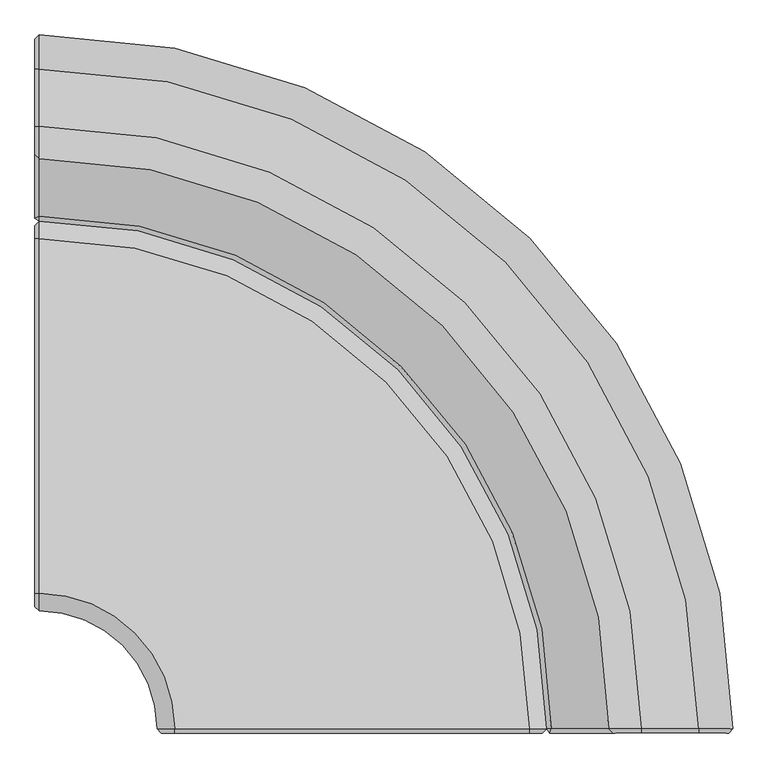
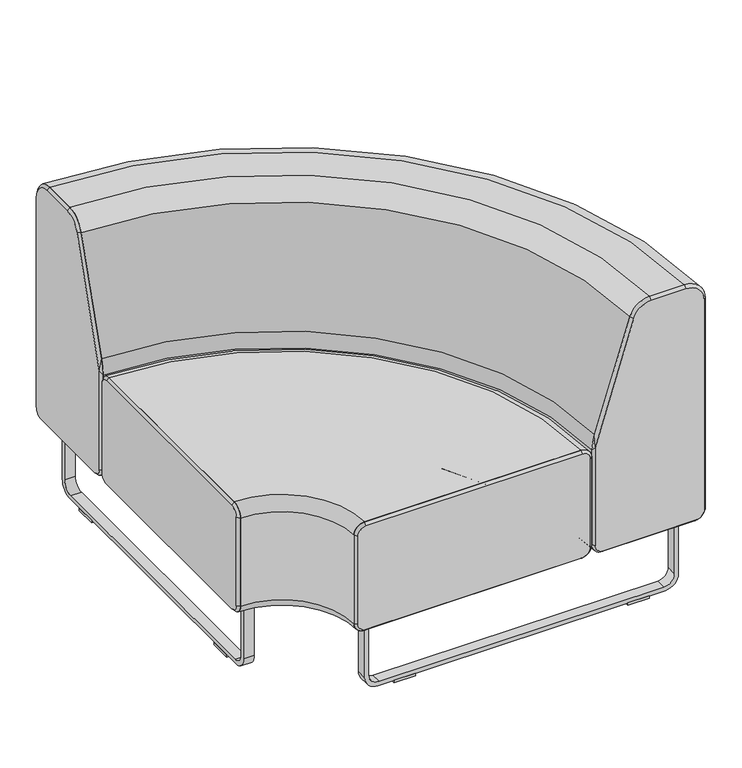
"""IFC4 building model written with IfcOpenShell, lengths in millimetres: furniture geometry."""

from ifc_helpers import new_model, si_unit, point, frame, frame_2d, origin, origin_with_axes, place, context, project, spatial, polyline, circle_curve, ellipse_curve, trimmed, segment, composite_curve, outline, extrude, source, transform, mapped, element, save
from ifc_brep_helpers import plane_surface, cylinder_surface, revolved_surface, spline_surface, advanced_brep


def furniture_7d16c2fd(model_context):
    return source(origin(), model_context, "Body", "SolidModel", [
        advanced_brep(
        [(-514.9320562, -692.0193165, 209.55), (-514.9320562, -692.0193165, 431.8), (-514.9320562, -666.6193165, 457.2), (-514.9320562, -150.2353139, 457.2), (-514.9320562, -124.8353139, 431.8), (-514.9320562, -124.8353139, 209.55), (-514.9320562, -150.2353139, 184.15), (-514.9320562, -666.6193165, 184.15), (-343.4820562, -863.4693165, 209.55), (-318.0820562, -863.4693165, 184.15), (198.3019463, -863.4693165, 184.15), (223.7019463, -863.4693165, 209.55), (223.7019463, -863.4693165, 431.8), (198.3019463, -863.4693165, 457.2), (-318.0820562, -863.4693165, 457.2), (-343.4820562, -863.4693165, 431.8)],
        [
            (0, 1),
            (1, 2, circle_curve(frame((-514.9320562, -666.6193165, 431.8), z_axis=(-1.0, 0.0, 0.0), x_axis=(0.0, -1.0, 0.0)), 25.4)),
            (2, 3),
            (3, 4, circle_curve(frame((-514.9320562, -150.2353139, 431.8), z_axis=(-1.0, 0.0, 0.0), x_axis=(0.0, -1.0, 0.0)), 25.4)),
            (4, 5),
            (5, 6, circle_curve(frame((-514.9320562, -150.2353139, 209.55), z_axis=(-1.0, 0.0, 0.0), x_axis=(0.0, -1.0, 0.0)), 25.4)),
            (6, 7),
            (7, 0, circle_curve(frame((-514.9320562, -666.6193165, 209.55), z_axis=(-1.0, 0.0, 0.0), x_axis=(0.0, -1.0, 0.0)), 25.4)),
            (8, 9, circle_curve(frame((-318.0820562, -863.4693165, 209.55), z_axis=(0.0, -1.0, 0.0), x_axis=(-1.0, 0.0, 0.0)), 25.4)),
            (9, 10),
            (10, 11, circle_curve(frame((198.3019463, -863.4693165, 209.55), z_axis=(0.0, -1.0, 0.0), x_axis=(-1.0, 0.0, 0.0)), 25.4)),
            (11, 12),
            (12, 13, circle_curve(frame((198.3019463, -863.4693165, 431.8), z_axis=(0.0, -1.0, 0.0), x_axis=(-1.0, 0.0, 0.0)), 25.4)),
            (13, 14),
            (14, 15, circle_curve(frame((-318.0820562, -863.4693165, 431.8), z_axis=(0.0, -1.0, 0.0), x_axis=(-1.0, 0.0, 0.0)), 25.4)),
            (15, 8),
            (15, 1, circle_curve(frame((-514.9320562, -863.4693165, 431.8), z_axis=(0.0, 0.0, 1.0), x_axis=(0.0, 1.0, 0.0)), 171.45)),
            (0, 8, circle_curve(frame((-514.9320562, -863.4693165, 209.55), z_axis=(0.0, 0.0, -1.0), x_axis=(0.0, 1.0, 0.0)), 171.45)),
            (14, 2, circle_curve(frame((-514.9320562, -863.4693165, 457.2), z_axis=(0.0, 0.0, 1.0), x_axis=(0.0, 1.0, 0.0)), 196.85)),
            (13, 3, circle_curve(frame((-514.9320562, -863.4693165, 457.2), z_axis=(0.0, 0.0, 1.0), x_axis=(0.0, 1.0, 0.0)), 713.2340025)),
            (12, 4, circle_curve(frame((-514.9320562, -863.4693165, 431.8), z_axis=(0.0, 0.0, 1.0), x_axis=(0.0, 1.0, 0.0)), 738.6340025)),
            (11, 5, circle_curve(frame((-514.9320562, -863.4693165, 209.55), z_axis=(0.0, 0.0, 1.0), x_axis=(0.0, 1.0, 0.0)), 738.6340025)),
            (10, 6, circle_curve(frame((-514.9320562, -863.4693165, 184.15), z_axis=(0.0, 0.0, 1.0), x_axis=(0.0, 1.0, 0.0)), 713.2340025)),
            (9, 7, circle_curve(frame((-514.9320562, -863.4693165, 184.15), z_axis=(0.0, 0.0, 1.0), x_axis=(0.0, 1.0, 0.0)), 196.85)),
        ],
        [
            plane_surface(frame((-514.9320562, -863.4693165, 574.4626339), z_axis=(-1.0, 0.0, 0.0), x_axis=(0.0, 1.0, 0.0))),
            plane_surface(frame((-514.9320562, -863.4693165, 574.4626339), z_axis=(0.0, -1.0, 0.0), x_axis=(1.0, 0.0, 0.0))),
            revolved_surface(polyline([(-514.9320562, -692.0193165000001, 209.55), (-514.9320562, -692.0193165000001, 431.8)]), (-514.9320562, -863.4693165, 574.4626339), (0.0, 0.0, -1.0)),
            revolved_surface(trimmed(ellipse_curve(frame((-514.9320562, -666.6193165, 431.8), z_axis=(-1.0, 0.0, 0.0), x_axis=(0.0, -1.0, 0.0)), 25.4, 25.4), [point((-514.9320562, -692.0193165, 431.8))], [point((-514.9320562, -666.6193165, 457.2))], True, "CARTESIAN"), (-514.9320562, -863.4693165, 574.4626339), (0.0, 0.0, -1.0)),
            plane_surface(frame((-514.9320562, -863.4693165, 457.2), z_axis=(0.0, 0.0, 1.0), x_axis=(0.0, 1.0, 0.0))),
            revolved_surface(trimmed(ellipse_curve(frame((-514.9320562, -150.2353139, 431.8), z_axis=(-1.0, 0.0, 0.0), x_axis=(0.0, -1.0, 0.0)), 25.4, 25.4), [point((-514.9320562, -150.2353139, 457.2))], [point((-514.9320562, -124.8353139, 431.8))], True, "CARTESIAN"), (-514.9320562, -863.4693165, 574.4626339), (0.0, 0.0, -1.0)),
            cylinder_surface(frame((-514.9320562, -863.4693165, 574.4626339), z_axis=(0.0, 0.0, -1.0), x_axis=(0.0, 1.0, 0.0)), 738.6340025),
            revolved_surface(trimmed(ellipse_curve(frame((-514.9320562, -150.2353139, 209.55), z_axis=(-1.0, 0.0, 0.0), x_axis=(0.0, -1.0, 0.0)), 25.4, 25.4), [point((-514.9320562, -124.8353139, 209.55))], [point((-514.9320562, -150.2353139, 184.15))], True, "CARTESIAN"), (-514.9320562, -863.4693165, 574.4626339), (0.0, 0.0, -1.0)),
            plane_surface(frame((-514.9320562, -863.4693165, 184.15), z_axis=(0.0, 0.0, -1.0), x_axis=(0.0, 1.0, 0.0))),
            revolved_surface(trimmed(ellipse_curve(frame((-514.9320562, -666.6193165, 209.55), z_axis=(-1.0, 0.0, 0.0), x_axis=(0.0, -1.0, 0.0)), 25.4, 25.4), [point((-514.9320562, -666.6193165, 184.15))], [point((-514.9320562, -692.0193165, 209.55))], True, "CARTESIAN"), (-514.9320562, -863.4693165, 574.4626339), (0.0, 0.0, -1.0)),
        ],
        [
            (0, [[1, 2, 3, 4, 5, 6, 7, 8]]),
            (1, [[9, 10, 11, 12, 13, 14, 15, 16]]),
            (2, [[17, -1, 18, -16]]),
            (3, [[19, -2, -17, -15]]),
            (4, [[20, -3, -19, -14]]),
            (5, [[21, -4, -20, -13]]),
            (6, [[22, -5, -21, -12]]),
            (7, [[23, -6, -22, -11]]),
            (8, [[24, -7, -23, -10]]),
            (9, [[-18, -8, -24, -9]]),
        ],
    ),
        advanced_brep(
        [(-318.0820562, -863.4693165, 457.2), (198.3019463, -863.4693165, 457.2), (223.7019463, -863.4693165, 431.8), (223.7019463, -863.4693165, 209.55), (198.3019463, -863.4693165, 184.15), (-318.0820562, -863.4693165, 184.15), (-343.4820562, -863.4693165, 209.55), (-343.4820562, -863.4693165, 431.8), (-318.0820562, -869.8193165, 450.85), (-337.1320562, -869.8193165, 431.8), (-337.1320562, -869.8193165, 209.55), (-318.0820562, -869.8193165, 190.5), (198.3019463, -869.8193165, 190.5), (217.3519463, -869.8193165, 209.55), (217.3519463, -869.8193165, 431.8), (198.3019463, -869.8193165, 450.85)],
        [
            (0, 1),
            (1, 2, circle_curve(frame((198.3019463, -863.4693165, 431.8), z_axis=(0.0, 1.0, 0.0), x_axis=(0.0, 0.0, 1.0)), 25.4)),
            (2, 3),
            (3, 4, circle_curve(frame((198.3019463, -863.4693165, 209.55), z_axis=(0.0, 1.0, 0.0), x_axis=(1.0, 0.0, 0.0)), 25.4)),
            (4, 5),
            (5, 6, circle_curve(frame((-318.0820562, -863.4693165, 209.55), z_axis=(0.0, 1.0, 0.0), x_axis=(0.0, 0.0, -1.0)), 25.4)),
            (6, 7),
            (7, 0, circle_curve(frame((-318.0820562, -863.4693165, 431.8), z_axis=(0.0, 1.0, 0.0), x_axis=(-1.0, 0.0, 0.0)), 25.4)),
            (8, 9, circle_curve(frame((-318.0820562, -869.8193165, 431.8), z_axis=(0.0, -1.0, 0.0), x_axis=(-1.0, 0.0, 0.0)), 19.05)),
            (9, 10),
            (10, 11, circle_curve(frame((-318.0820562, -869.8193165, 209.55), z_axis=(0.0, -1.0, 0.0), x_axis=(0.0, 0.0, -1.0)), 19.05)),
            (11, 12),
            (12, 13, circle_curve(frame((198.3019463, -869.8193165, 209.55), z_axis=(0.0, -1.0, 0.0), x_axis=(1.0, 0.0, 0.0)), 19.05)),
            (13, 14),
            (14, 15, circle_curve(frame((198.3019463, -869.8193165, 431.8), z_axis=(0.0, -1.0, 0.0), x_axis=(0.0, 0.0, 1.0)), 19.05)),
            (15, 8),
            (15, 1),
            (0, 8),
            (13, 3),
            (2, 14),
            (11, 5),
            (4, 12),
            (9, 7),
            (6, 10),
        ],
        [
            plane_surface(frame((-59.890055, -863.4693165, 320.675), z_axis=(0.0, 1.0, 0.0), x_axis=(-1.0, 0.0, 0.0))),
            plane_surface(frame((-59.890055, -869.8193165, 320.675), z_axis=(0.0, -1.0, 0.0), x_axis=(-1.0, 0.0, 0.0))),
            plane_surface(frame((-59.890055, -869.8193165, 450.85), z_axis=(0.0, -0.7071067811866982, 0.7071067811863968), x_axis=(1.0, 0.0, 0.0))),
            plane_surface(frame((217.3519463, -869.8193165, 320.675), z_axis=(0.7071067811863987, -0.7071067811866963, 0.0), x_axis=(0.0, 0.0, -1.0))),
            plane_surface(frame((-59.890055, -869.8193165, 190.5), z_axis=(0.0, -0.7071067811866814, -0.7071067811864138), x_axis=(-1.0, 0.0, 0.0))),
            plane_surface(frame((-337.1320562, -869.8193165, 320.675), z_axis=(-0.7071067811862235, -0.7071067811868715, 0.0), x_axis=(0.0, 0.0, 1.0))),
            revolved_surface(polyline([(-318.0820562, -869.8193165, 450.84999999999997), (-318.0820562, -863.4693165, 457.2)]), (-318.0820562, -888.8693165, 431.8), (0.0, 1.0, 0.0)),
            revolved_surface(polyline([(-337.13205619999997, -869.8193165, 209.55), (-343.4820562, -863.4693165, 209.55)]), (-318.0820562, -888.8693165, 209.55), (0.0, 1.0, 0.0)),
            revolved_surface(polyline([(198.3019463, -869.8193165, 190.50000000000003), (198.3019463, -863.4693165, 184.15)]), (198.3019463, -888.8693165, 209.55), (0.0, 1.0, 0.0)),
            revolved_surface(polyline([(217.35194629999998, -869.8193165, 431.8), (223.7019463, -863.4693165, 431.8)]), (198.3019463, -888.8693165, 431.8), (0.0, 1.0, 0.0)),
        ],
        [
            (0, [[1, 2, 3, 4, 5, 6, 7, 8]]),
            (1, [[9, 10, 11, 12, 13, 14, 15, 16]]),
            (2, [[-16, 17, -1, 18]]),
            (3, [[-14, 19, -3, 20]]),
            (4, [[-12, 21, -5, 22]]),
            (5, [[-10, 23, -7, 24]]),
            (6, [[-9, -18, -8, -23]]),
            (7, [[-11, -24, -6, -21]]),
            (8, [[-13, -22, -4, -19]]),
            (9, [[-15, -20, -2, -17]]),
        ],
    ),
        advanced_brep(
        [(-514.9320562, -666.6193165, 457.2), (-514.9320562, -692.0193165, 431.8), (-514.9320562, -692.0193165, 209.55), (-514.9320562, -666.6193165, 184.15), (-514.9320562, -150.2353139, 184.15), (-514.9320562, -124.8353139, 209.55), (-514.9320562, -124.8353139, 431.8), (-514.9320562, -150.2353139, 457.2), (-521.2820562, -666.6193165, 450.85), (-521.2820562, -150.2353139, 450.85), (-521.2820562, -131.1853139, 431.8), (-521.2820562, -131.1853139, 209.55), (-521.2820562, -150.2353139, 190.5), (-521.2820562, -666.6193165, 190.5), (-521.2820562, -685.6693165, 209.55), (-521.2820562, -685.6693165, 431.8)],
        [
            (0, 1, circle_curve(frame((-514.9320562, -666.6193165, 431.8), z_axis=(1.0, 0.0, 0.0), x_axis=(0.0, 0.0, 1.0)), 25.4)),
            (1, 2),
            (2, 3, circle_curve(frame((-514.9320562, -666.6193165, 209.55), z_axis=(1.0, 0.0, 0.0), x_axis=(0.0, -1.0, 0.0)), 25.4)),
            (3, 4),
            (4, 5, circle_curve(frame((-514.9320562, -150.2353139, 209.55), z_axis=(1.0, 0.0, 0.0), x_axis=(0.0, 0.0, -1.0)), 25.4)),
            (5, 6),
            (6, 7, circle_curve(frame((-514.9320562, -150.2353139, 431.8), z_axis=(1.0, 0.0, 0.0), x_axis=(0.0, 1.0, 0.0)), 25.4)),
            (7, 0),
            (8, 9),
            (9, 10, circle_curve(frame((-521.2820562, -150.2353139, 431.8), z_axis=(-1.0, 0.0, 0.0), x_axis=(0.0, 1.0, 0.0)), 19.05)),
            (10, 11),
            (11, 12, circle_curve(frame((-521.2820562, -150.2353139, 209.55), z_axis=(-1.0, 0.0, 0.0), x_axis=(0.0, 0.0, -1.0)), 19.05)),
            (12, 13),
            (13, 14, circle_curve(frame((-521.2820562, -666.6193165, 209.55), z_axis=(-1.0, 0.0, 0.0), x_axis=(0.0, -1.0, 0.0)), 19.05)),
            (14, 15),
            (15, 8, circle_curve(frame((-521.2820562, -666.6193165, 431.8), z_axis=(-1.0, 0.0, 0.0), x_axis=(0.0, 0.0, 1.0)), 19.05)),
            (8, 0),
            (7, 9),
            (10, 6),
            (5, 11),
            (12, 4),
            (3, 13),
            (14, 2),
            (1, 15),
        ],
        [
            plane_surface(frame((-514.9320562, -408.4273152, 320.675), z_axis=(1.0, 0.0, 0.0), x_axis=(0.0, 1.0, 0.0))),
            plane_surface(frame((-521.2820562, -408.4273152, 320.675), z_axis=(-1.0, 0.0, 0.0), x_axis=(0.0, 1.0, 0.0))),
            plane_surface(frame((-521.2820562, -408.4273152, 450.85), z_axis=(-0.7071067811866982, 0.0, 0.7071067811863968), x_axis=(0.0, -1.0, 0.0))),
            plane_surface(frame((-521.2820562, -131.1853139, 320.675), z_axis=(-0.7071067811866973, 0.7071067811863977, 0.0), x_axis=(0.0, 0.0, 1.0))),
            plane_surface(frame((-521.2820562, -408.4273152, 190.5), z_axis=(-0.7071067811866814, 0.0, -0.7071067811864138), x_axis=(0.0, 1.0, 0.0))),
            plane_surface(frame((-521.2820562, -685.6693165, 320.675), z_axis=(-0.7071067811868715, -0.7071067811862235, 0.0), x_axis=(0.0, 0.0, -1.0))),
            revolved_surface(polyline([(-521.2820562, -685.6693164999999, 431.8), (-514.9320562, -692.0193165, 431.8)]), (-540.3320562, -666.6193165, 431.8), (1.0, 0.0, 0.0)),
            revolved_surface(polyline([(-521.2820562, -666.6193165, 190.50000000000003), (-514.9320562, -666.6193165, 184.15)]), (-540.3320562, -666.6193165, 209.55), (1.0, 0.0, 0.0)),
            revolved_surface(polyline([(-521.2820562, -131.18531390000004, 209.55), (-514.9320562, -124.8353139, 209.55)]), (-540.3320562, -150.2353139, 209.55), (1.0, 0.0, 0.0)),
            revolved_surface(polyline([(-521.2820562, -150.2353139, 450.84999999999997), (-514.9320562, -150.2353139, 457.2)]), (-540.3320562, -150.2353139, 431.8), (1.0, 0.0, 0.0)),
        ],
        [
            (0, [[1, 2, 3, 4, 5, 6, 7, 8]]),
            (1, [[9, 10, 11, 12, 13, 14, 15, 16]]),
            (2, [[-9, 17, -8, 18]]),
            (3, [[-11, 19, -6, 20]]),
            (4, [[-13, 21, -4, 22]]),
            (5, [[-15, 23, -2, 24]]),
            (6, [[-16, -24, -1, -17]]),
            (7, [[-14, -22, -3, -23]]),
            (8, [[-12, -20, -5, -21]]),
            (9, [[-10, -18, -7, -19]]),
        ],
    ),
        advanced_brep(
        [(488.3679438, -869.8193165, 737.4000009), (444.7179446, -869.8193165, 781.05), (361.9258705, -869.8193165, 781.05), (320.2673157, -869.8193165, 750.4487484), (228.2306685, -869.8193165, 456.75942), (228.2306685, -869.8193165, 209.55), (247.2806685, -869.8193165, 190.5), (469.3179438, -869.8193165, 190.5), (488.3679438, -869.8193165, 209.55), (494.7179438, -863.4693165, 737.4000009), (494.7179438, -863.4693165, 209.55), (469.3179438, -863.4693165, 184.15), (249.1019463, -863.4693165, 184.15), (223.7019463, -863.4693165, 209.55), (223.7019463, -863.4693165, 448.1421226), (230.4901948, -863.4693165, 485.2041409), (314.2078896, -863.4693165, 752.3476572), (361.9258705, -863.4693165, 787.4), (444.7179446, -863.4693165, 787.4)],
        [
            (0, 1, circle_curve(frame((444.7179446, -869.8193165, 737.4000009), z_axis=(0.0, -1.0, 0.0), x_axis=(1.0, 0.0, 0.0)), 43.6499991)),
            (1, 2),
            (2, 3, circle_curve(frame((361.9258705, -869.8193165, 737.39375), z_axis=(0.0, -1.0, 0.0), x_axis=(0.0, 0.0, 1.0)), 43.65625)),
            (3, 4),
            (4, 5),
            (5, 6, circle_curve(frame((247.2806685, -869.8193165, 209.55), z_axis=(0.0, -1.0, 0.0), x_axis=(-1.0, 0.0, 0.0)), 19.05)),
            (6, 7),
            (7, 8, circle_curve(frame((469.3179438, -869.8193165, 209.55), z_axis=(-2.3874235921539197e-12, -1.0, 0.0), x_axis=(0.0, 0.0, -1.0)), 19.05)),
            (8, 0),
            (9, 10),
            (10, 11, circle_curve(frame((469.3179438, -863.4693165, 209.55), z_axis=(2.3874235921539197e-12, 1.0, 0.0), x_axis=(0.0, 0.0, -1.0)), 25.4)),
            (11, 12),
            (12, 13, circle_curve(frame((249.1019463, -863.4693165, 209.55), z_axis=(0.0, 1.0, 0.0), x_axis=(-1.0, 0.0, 0.0)), 25.4)),
            (13, 14),
            (14, 15, circle_curve(frame((377.5675162, -863.4693165, 439.112907), z_axis=(0.0, 1.0, 0.0), x_axis=(-1.0, 0.0, 0.0)), 154.1302707)),
            (15, 16),
            (16, 17, circle_curve(frame((361.9258705, -863.4693165, 737.39375), z_axis=(0.0, 1.0, 0.0), x_axis=(0.0, 0.0, 1.0)), 50.00625)),
            (17, 18),
            (18, 9, circle_curve(frame((444.7179446, -863.4693165, 737.4000009), z_axis=(0.0, 1.0, 0.0), x_axis=(1.0, 0.0, 0.0)), 49.9999991)),
            (9, 0),
            (8, 10),
            (17, 2),
            (1, 18),
            (11, 7),
            (6, 12),
            (13, 5),
            (4, 14),
            (16, 3),
            (15, 4),
        ],
        [
            plane_surface(frame((364.078552, -869.8193165, 478.534241), z_axis=(0.0, -1.0, 0.0), x_axis=(-1.0, 0.0, 0.0))),
            plane_surface(frame((350.660157, -863.4693165, 478.5293922), z_axis=(0.0, 1.0, 0.0), x_axis=(-1.0, 0.0, 0.0))),
            plane_surface(frame((494.7179438, -863.4693165, 473.4750004), z_axis=(0.707106781185598, -0.7071067811874971, 0.0), x_axis=(0.0, 0.0, 1.0))),
            plane_surface(frame((403.3219075, -863.4693165, 787.4), z_axis=(0.0, -0.707106781186638, 0.7071067811864571), x_axis=(-1.0, 0.0, 0.0))),
            revolved_surface(polyline([(488.36794378729996, -869.8193165, 737.4000009), (494.7179438, -863.4693165, 737.4000009)]), (444.7179446, -913.4693156, 737.4000009), (0.0, 1.0, 0.0)),
            plane_surface(frame((359.209945, -863.4693165, 184.15), z_axis=(0.0, -0.7071067811866439, -0.7071067811864511), x_axis=(1.0, 0.0, 0.0))),
            plane_surface(frame((223.7019463, -863.4693165, 328.8460613), z_axis=(-0.8141572679532061, -0.5806444204838029, 0.0), x_axis=(0.0, 0.0, -1.0))),
            revolved_surface(polyline([(469.3179438, -869.8193165, 190.50000000000003), (469.3179438, -863.4693164999394, 184.14999999993935)]), (469.3179438, -888.8693165, 209.55), (2.3874235921539197e-12, 1.0, 0.0)),
            spline_surface(2, 1, [[(223.7019463, -863.4693165, 209.55), (228.2306685, -869.8193165, 209.55)], [(223.7019463, -863.4693165, 184.15), (228.2306685, -869.8193165, 190.50000000000003)], [(249.1019463, -863.4693165, 184.15), (247.2806685, -869.8193165, 190.5)]], [3, 3], [2, 2], [0.0, 1.0], [0.0, 1.0], weights=[[1.0, 1.0], [0.7071067811865476, 0.7071067811865476], [1.0, 1.0]]),
            revolved_surface(polyline([(361.9258705, -869.8193165, 781.05), (361.9258705, -863.4693165, 787.4)]), (361.9258705, -913.4755665, 737.39375), (0.0, 1.0, 0.0)),
            plane_surface(frame((272.3490422, -863.4693165, 618.7758991), z_axis=(-0.6747498133230463, -0.707106781186574, 0.2114537524388657), x_axis=(-0.29904076451373707, 0.0, -0.9542403372102018))),
            spline_surface(2, 1, [[(230.4901948, -863.4693165, 485.2041409), (228.2306685, -869.8193165, 456.75942)], [(224.8139213485248, -863.4693165, 467.09112829834174), (228.2306685, -869.8193165, 456.75942)], [(223.7019463, -863.4693165, 448.1421226), (228.2306685, -869.8193165, 456.75942)]], [3, 3], [2, 2], [0.0, 1.0], [0.0, 1.0], weights=[[1.0, 1.0], [0.9925018545567285, 0.9925018545567285], [1.0, 1.0]]),
        ],
        [
            (0, [[1, 2, 3, 4, 5, 6, 7, 8, 9]]),
            (1, [[10, 11, 12, 13, 14, 15, 16, 17, 18, 19]]),
            (2, [[-10, 20, -9, 21]]),
            (3, [[-18, 22, -2, 23]]),
            (4, [[-19, -23, -1, -20]]),
            (5, [[-12, 24, -7, 25]]),
            (6, [[-14, 26, -5, 27]]),
            (7, [[-11, -21, -8, -24]]),
            (8, [[-13, -25, -6, -26]]),
            (9, [[-17, 28, -3, -22]]),
            (10, [[-16, 29, -4, -28]]),
            (11, [[-15, -27, -29]]),
        ],
    ),
        advanced_brep(
        [(-514.9320562, 96.1806844, 787.4), (-514.9320562, 146.1806835, 737.4000009), (-514.9320562, 146.1806835, 209.55), (-514.9320562, 120.7806835, 184.15), (-514.9320562, -99.4353139, 184.15), (-514.9320562, -124.8353139, 209.55), (-514.9320562, -124.8353139, 448.1421226), (-514.9320562, -118.0470655, 485.2041409), (-514.9320562, -34.3293706, 752.3476572), (-514.9320562, 13.3886102, 787.4), (444.7179446, -863.4693165, 787.4), (361.9258705, -863.4693165, 787.4), (314.2078896, -863.4693165, 752.3476572), (230.4901948, -863.4693165, 485.2041409), (223.7019463, -863.4693165, 448.1421227), (223.7019463, -863.4693165, 209.55), (249.1019463, -863.4693165, 184.15), (469.3179438, -863.4693165, 184.15), (494.7179438, -863.4693165, 209.55), (494.7179438, -863.4693165, 737.4000009)],
        [
            (0, 1, circle_curve(frame((-514.9320562, 96.1806844, 737.4000009), z_axis=(-1.0, 0.0, 0.0), x_axis=(0.0, 1.0, 0.0)), 49.9999991)),
            (1, 2),
            (2, 3, circle_curve(frame((-514.9320562, 120.7806835, 209.55), z_axis=(-1.0, 0.0, 0.0), x_axis=(0.0, 1.0, 0.0)), 25.4)),
            (3, 4),
            (4, 5, circle_curve(frame((-514.9320562, -99.4353139, 209.55), z_axis=(-1.0, 0.0, 0.0), x_axis=(0.0, 1.0, 0.0)), 25.4)),
            (5, 6),
            (6, 7, circle_curve(frame((-514.9320562, 29.030256, 439.112907), z_axis=(-1.0, 0.0, 0.0), x_axis=(0.0, 1.0, 0.0)), 154.1302707)),
            (7, 8),
            (8, 9, circle_curve(frame((-514.9320562, 13.3886102, 737.39375), z_axis=(-1.0, 0.0, 0.0), x_axis=(0.0, 1.0, 0.0)), 50.00625)),
            (9, 0),
            (10, 11),
            (11, 12, circle_curve(frame((361.9258705, -863.4693165, 737.39375), z_axis=(0.0, -1.0, 0.0), x_axis=(1.0, 0.0, 0.0)), 50.00625)),
            (12, 13),
            (13, 14, circle_curve(frame((377.5675162, -863.4693165, 439.112907), z_axis=(0.0, -1.0, 0.0), x_axis=(1.0, 0.0, 0.0)), 154.1302707)),
            (14, 15),
            (15, 16, circle_curve(frame((249.1019463, -863.4693165, 209.55), z_axis=(0.0, -1.0, 0.0), x_axis=(1.0, 0.0, 0.0)), 25.4)),
            (16, 17),
            (17, 18, circle_curve(frame((469.3179438, -863.4693165, 209.55), z_axis=(0.0, -1.0, 0.0), x_axis=(1.0, 0.0, 0.0)), 25.4)),
            (18, 19),
            (19, 10, circle_curve(frame((444.7179446, -863.4693165, 737.4000009), z_axis=(0.0, -1.0, 0.0), x_axis=(1.0, 0.0, 0.0)), 49.9999991)),
            (19, 1, circle_curve(frame((-514.9320562, -863.4693165, 737.4000009), z_axis=(0.0, 0.0, 1.0), x_axis=(0.0, 1.0, 0.0)), 1009.65)),
            (0, 10, circle_curve(frame((-514.9320562, -863.4693165, 787.4), z_axis=(0.0, 0.0, -1.0), x_axis=(0.0, 1.0, 0.0)), 959.6500009)),
            (18, 2, circle_curve(frame((-514.9320562, -863.4693165, 209.55), z_axis=(0.0, 0.0, 1.0), x_axis=(0.0, 1.0, 0.0)), 1009.65)),
            (17, 3, circle_curve(frame((-514.9320562, -863.4693165, 184.15), z_axis=(0.0, 0.0, 1.0), x_axis=(0.0, 1.0, 0.0)), 984.25)),
            (16, 4, circle_curve(frame((-514.9320562, -863.4693165, 184.15), z_axis=(0.0, 0.0, 1.0), x_axis=(0.0, 1.0, 0.0)), 764.0340025)),
            (15, 5, circle_curve(frame((-514.9320562, -863.4693165, 209.55), z_axis=(0.0, 0.0, 1.0), x_axis=(0.0, 1.0, 0.0)), 738.6340025)),
            (14, 6, circle_curve(frame((-514.9320562, -863.4693165, 448.1421226), z_axis=(0.0, 0.0, 1.0), x_axis=(0.0, 1.0, 0.0)), 738.6340025)),
            (9, 11, circle_curve(frame((-514.9320562, -863.4693165, 787.4), z_axis=(0.0, 0.0, -1.0), x_axis=(0.0, 1.0, 0.0)), 876.8579267)),
            (13, 7, circle_curve(frame((-514.9320562, -863.4693165, 485.2041409), z_axis=(0.0, 0.0, 1.0), x_axis=(0.0, 1.0, 0.0)), 745.422251)),
            (12, 8, circle_curve(frame((-514.9320562, -863.4693165, 752.3476572), z_axis=(0.0, 0.0, 1.0), x_axis=(0.0, 1.0, 0.0)), 829.1399458)),
        ],
        [
            plane_surface(frame((-514.9320562, -863.4693165, 514.35), z_axis=(-1.0, 0.0, 0.0), x_axis=(0.0, 1.0, 0.0))),
            plane_surface(frame((-514.9320562, -863.4693165, 514.35), z_axis=(0.0, -1.0, 0.0), x_axis=(1.0, 0.0, 0.0))),
            revolved_surface(trimmed(ellipse_curve(frame((-514.9320562, 96.1806844, 737.4000009), z_axis=(1.0, 0.0, 0.0), x_axis=(0.0, 1.0, 0.0)), 49.9999991, 49.9999991), [point((-514.9320562, 146.1806835, 737.4000009))], [point((-514.9320562, 96.1806844, 787.4))], True, "CARTESIAN"), (-514.9320562, -863.4693165, 514.35), (0.0, 0.0, 1.0)),
            cylinder_surface(frame((-514.9320562, -863.4693165, 514.35), z_axis=(0.0, 0.0, 1.0), x_axis=(0.0, 1.0, 0.0)), 1009.65),
            revolved_surface(trimmed(ellipse_curve(frame((-514.9320562, 120.7806835, 209.55), z_axis=(1.0, 0.0, 0.0), x_axis=(0.0, 1.0, 0.0)), 25.4, 25.4), [point((-514.9320562, 120.7806835, 184.15))], [point((-514.9320562, 146.1806835, 209.55))], True, "CARTESIAN"), (-514.9320562, -863.4693165, 514.35), (0.0, 0.0, 1.0)),
            plane_surface(frame((-514.9320562, -863.4693165, 184.15), z_axis=(0.0, 0.0, -1.0), x_axis=(0.0, 1.0, 0.0))),
            revolved_surface(trimmed(ellipse_curve(frame((-514.9320562, -99.4353139, 209.55), z_axis=(1.0, 0.0, 0.0), x_axis=(0.0, 1.0, 0.0)), 25.4, 25.4), [point((-514.9320562, -124.8353139, 209.55))], [point((-514.9320562, -99.4353139, 184.15))], True, "CARTESIAN"), (-514.9320562, -863.4693165, 514.35), (0.0, 0.0, 1.0)),
            revolved_surface(polyline([(-514.9320562, -124.83531400000004, 448.1421227), (-514.9320562, -124.83531400000004, 209.55)]), (-514.9320562, -863.4693165, 514.35), (0.0, 0.0, 1.0)),
            plane_surface(frame((-514.9320562, -863.4693165, 787.4), z_axis=(0.0, 0.0, 1.0), x_axis=(0.0, 1.0, 0.0))),
            revolved_surface(trimmed(ellipse_curve(frame((-514.9320562, 29.030256, 439.112907), z_axis=(1.0, 0.0, 0.0), x_axis=(0.0, 1.0, 0.0)), 154.1302707, 154.1302707), [point((-514.9320562, -118.0470655, 485.2041409))], [point((-514.9320562, -124.8353139, 448.1421227))], True, "CARTESIAN"), (-514.9320562, -863.4693165, 514.35), (0.0, 0.0, 1.0)),
            revolved_surface(polyline([(-514.9320562, -34.3293706, 752.3476572), (-514.9320562, -118.0470655, 485.2041409)]), (-514.9320562, -863.4693165, 514.35), (0.0, 0.0, 1.0)),
            revolved_surface(trimmed(ellipse_curve(frame((-514.9320562, 13.3886102, 737.39375), z_axis=(1.0, 0.0, 0.0), x_axis=(0.0, 1.0, 0.0)), 50.00625, 50.00625), [point((-514.9320562, 13.3886102, 787.4))], [point((-514.9320562, -34.3293706, 752.3476572))], True, "CARTESIAN"), (-514.9320562, -863.4693165, 514.35), (0.0, 0.0, 1.0)),
        ],
        [
            (0, [[1, 2, 3, 4, 5, 6, 7, 8, 9, 10]]),
            (1, [[11, 12, 13, 14, 15, 16, 17, 18, 19, 20]]),
            (2, [[21, -1, 22, -20]]),
            (3, [[23, -2, -21, -19]]),
            (4, [[24, -3, -23, -18]]),
            (5, [[25, -4, -24, -17]]),
            (6, [[26, -5, -25, -16]]),
            (7, [[27, -6, -26, -15]]),
            (8, [[-22, -10, 28, -11]]),
            (9, [[29, -7, -27, -14]]),
            (10, [[30, -8, -29, -13]]),
            (11, [[-28, -9, -30, -12]]),
        ],
    ),
        advanced_brep(
        [(-521.2820562, 139.8306835, 737.4000009), (-521.2820562, 139.8306835, 209.55), (-521.2820562, 120.7806835, 190.5), (-521.2820562, -101.2565917, 190.5), (-521.2820562, -120.3065917, 209.55), (-521.2820562, -120.3065917, 456.75942), (-521.2820562, -28.2699445, 750.4487484), (-521.2820562, 13.3886102, 781.05), (-521.2820562, 96.1806844, 781.05), (-514.9320562, 146.1806835, 737.4000009), (-514.9320562, 96.1806844, 787.4), (-514.9320562, 13.3886102, 787.4), (-514.9320562, -34.3293706, 752.3476572), (-514.9320562, -118.0470655, 485.2041409), (-514.9320562, -124.8353139, 448.1421227), (-514.9320562, -124.8353139, 209.55), (-514.9320562, -99.4353139, 184.15), (-514.9320562, 120.7806835, 184.15), (-514.9320562, 146.1806835, 209.55)],
        [
            (0, 1),
            (1, 2, circle_curve(frame((-521.2820562, 120.7806835, 209.55), z_axis=(-1.0, -2.3874235921539197e-12, 0.0), x_axis=(-2.3874825926737535e-12, 1.0, 0.0)), 19.05)),
            (2, 3),
            (3, 4, circle_curve(frame((-521.2820562, -101.2565917, 209.55), z_axis=(-1.0, 0.0, 0.0), x_axis=(0.0, -1.0, 0.0)), 19.05)),
            (4, 5),
            (5, 6),
            (6, 7, circle_curve(frame((-521.2820562, 13.3886102, 737.39375), z_axis=(-1.0, 0.0, 0.0), x_axis=(0.0, -0.9542403372101939, 0.2990407645137625)), 43.65625)),
            (7, 8),
            (8, 0, circle_curve(frame((-521.2820562, 96.1806844, 737.4000009), z_axis=(-1.0, 0.0, 0.0), x_axis=(0.0, 0.0, 1.0)), 43.6499991)),
            (9, 10, circle_curve(frame((-514.9320562, 96.1806844, 737.4000009), z_axis=(1.0, 0.0, 0.0), x_axis=(0.0, 0.0, 1.0)), 49.9999991)),
            (10, 11),
            (11, 12, circle_curve(frame((-514.9320562, 13.3886102, 737.39375), z_axis=(1.0, 0.0, 0.0), x_axis=(0.0, -0.9542403372101939, 0.2990407645137625)), 50.00625)),
            (12, 13),
            (13, 14, circle_curve(frame((-514.9320562, 29.030256, 439.112907), z_axis=(1.0, 0.0, 0.0), x_axis=(0.0, -1.0, 0.0)), 154.1302707)),
            (14, 15),
            (15, 16, circle_curve(frame((-514.9320562, -99.4353139, 209.55), z_axis=(1.0, 0.0, 0.0), x_axis=(0.0, -1.0, 0.0)), 25.4)),
            (16, 17),
            (17, 18, circle_curve(frame((-514.9320562, 120.7806835, 209.55), z_axis=(1.0, 2.3874235921539197e-12, 0.0), x_axis=(-2.3874825926737535e-12, 1.0, 0.0)), 25.4)),
            (18, 9),
            (18, 1),
            (0, 9),
            (10, 8),
            (7, 11),
            (16, 3),
            (2, 17),
            (14, 5),
            (4, 15),
            (13, 5),
            (12, 6),
        ],
        [
            plane_surface(frame((-521.2820562, 15.5412917, 478.534241), z_axis=(-1.0, 0.0, 0.0), x_axis=(0.0, 1.0, 0.0))),
            plane_surface(frame((-514.9320562, 2.1228967, 478.5293922), z_axis=(1.0, 0.0, 0.0), x_axis=(0.0, 1.0, 0.0))),
            plane_surface(frame((-514.9320562, 146.1806835, 473.4750004), z_axis=(-0.7071067811874999, 0.7071067811855951, 0.0), x_axis=(0.0, 0.0, -1.0))),
            plane_surface(frame((-514.9320562, 54.7846473, 787.4), z_axis=(-0.707106781186638, 0.0, 0.7071067811864571), x_axis=(0.0, 1.0, 0.0))),
            revolved_surface(polyline([(-521.2820562, 96.1806844, 781.0500000126999), (-514.9320562, 96.1806844, 787.4)]), (-564.9320554, 96.1806844, 737.4000009), (1.0, 0.0, 0.0)),
            plane_surface(frame((-514.9320562, 10.6726848, 184.15), z_axis=(-0.7071067811866476, 0.0, -0.7071067811864474), x_axis=(0.0, -1.0, 0.0))),
            plane_surface(frame((-514.9320562, -124.8353139, 328.8460613), z_axis=(-0.5806444204824542, -0.8141572679541681, 0.0), x_axis=(0.0, 0.0, 1.0))),
            revolved_surface(polyline([(-521.2820562000455, 139.8306834999545, 209.55), (-514.9320562, 146.1806835, 209.55)]), (-540.3320562, 120.7806835, 209.55), (1.0, 2.3874235921539197e-12, 0.0)),
            spline_surface(2, 1, [[(-514.9320562, -99.4353139, 184.15), (-521.2820562, -101.2565917, 190.5)], [(-514.9320562, -124.8353139, 184.15), (-521.2820562, -120.30659170000001, 190.5)], [(-514.9320562, -124.8353139, 209.55), (-521.2820562, -120.3065917, 209.55)]], [3, 3], [2, 2], [0.0, 1.0], [0.0, 1.0], weights=[[1.0, 1.0], [0.7071067811865476, 0.7071067811865476], [1.0, 1.0]]),
            spline_surface(2, 1, [[(-514.9320562, -124.8353139, 448.1421227), (-521.2820562, -120.3065917, 456.75942)], [(-514.9320562, -123.72333894153618, 467.0911283562987), (-521.2820562, -120.3065917, 456.75942)], [(-514.9320562, -118.0470655, 485.2041409), (-521.2820562, -120.3065917, 456.75942)]], [3, 3], [2, 2], [0.0, 1.0], [0.0, 1.0], weights=[[1.0, 1.0], [0.9925018544290458, 0.9925018544290458], [1.0, 1.0]]),
            plane_surface(frame((-514.9320562, -76.1882181, 618.7758991), z_axis=(-0.7071067811865719, -0.6747498133230484, 0.21145375243886597), x_axis=(0.0, 0.29904076451373696, 0.9542403372102018))),
            revolved_surface(polyline([(-521.2820562, -28.269944466666644, 750.4487483492063), (-514.9320562, -34.3293706, 752.3476572)]), (-564.9383062, 13.3886102, 737.39375), (1.0, 0.0, 0.0)),
        ],
        [
            (0, [[1, 2, 3, 4, 5, 6, 7, 8, 9]]),
            (1, [[10, 11, 12, 13, 14, 15, 16, 17, 18, 19]]),
            (2, [[-19, 20, -1, 21]]),
            (3, [[-11, 22, -8, 23]]),
            (4, [[-10, -21, -9, -22]]),
            (5, [[-17, 24, -3, 25]]),
            (6, [[-15, 26, -5, 27]]),
            (7, [[-18, -25, -2, -20]]),
            (8, [[-16, -27, -4, -24]]),
            (9, [[-14, 28, -26]]),
            (10, [[-13, 29, -6, -28]]),
            (11, [[-12, -23, -7, -29]]),
        ],
    ),
        extrude(outline(polyline([(-41.8307264, -457.7199075), (-84.4869344, -415.0636995), (-41.8307521, -372.4075172), (0.825456, -415.0637252), (-41.8307264, -457.7199075)])), frame((0.0, 0.0, 177.8), z_axis=(0.0, 0.0, 1.0), x_axis=(1.0, 0.0, 0.0)), (0.0, 0.0, 1.0), 6.35),
        extrude(outline(polyline([(200.6361889, -215.2529922), (157.9799713, -257.9092099), (115.3237633, -215.2530019), (157.9799809, -172.5967842), (200.6361889, -215.2529922)])), frame((0.0, 0.0, 177.8), z_axis=(0.0, 0.0, 1.0), x_axis=(1.0, 0.0, 0.0)), (0.0, 0.0, 1.0), 6.35),
        extrude(outline(polyline([(-17.0819837, -383.579739), (-35.0424788, -365.6192439), (0.8785114, -329.6982537), (18.8390065, -347.6587488), (-17.0819837, -383.579739)])), origin_with_axes(), (0.0, 0.0, 1.0), 6.35),
        extrude(outline(polyline([(126.4960365, -240.0017188), (90.5750077, -275.9227476), (72.6145126, -257.9622525), (108.5355414, -222.0412237), (126.4960365, -240.0017188)])), origin_with_axes(), (0.0, 0.0, 1.0), 6.35),
        extrude(outline(composite_curve([segment(polyline([(-139.7, 0.0), (0.0, 0.0), (0.0, -9.525), (-136.525, -9.525)]), True, "CONTINUOUS"), segment(trimmed(circle_curve(frame_2d((-136.525, -34.925)), 25.4), [point((-136.525, -9.525))], [point((-161.925, -34.925))], True, "CARTESIAN"), True, "CONTINUOUS"), segment(polyline([(-161.925, -34.925), (-161.925, -307.975)]), True, "CONTINUOUS"), segment(trimmed(circle_curve(frame_2d((-136.525, -307.975)), 25.4), [point((-161.925, -307.975))], [point((-136.525, -333.375))], True, "CARTESIAN"), True, "CONTINUOUS"), segment(polyline([(-136.525, -333.375), (0.0, -333.375), (0.0, -342.9), (-139.7, -342.9)]), True, "CONTINUOUS"), segment(trimmed(circle_curve(frame_2d((-139.7, -311.15)), 31.75), [point((-139.7, -342.9))], [point((-171.45, -311.15))], False, "CARTESIAN"), True, "CONTINUOUS"), segment(polyline([(-171.45, -311.15), (-171.45, -31.75)]), True, "CONTINUOUS"), segment(trimmed(circle_curve(frame_2d((-139.7, -31.75)), 31.75), [point((-171.45, -31.75))], [point((-139.7, 0.0))], False, "CARTESIAN"), True, "CONTINUOUS")], self_intersect=False)), frame((175.940476, -190.5572793, 177.8), z_axis=(-0.7071067811865493, 0.7071067811865458, 0.0), x_axis=(0.0, 0.0, 1.0)), (0.0, 0.0, 1.0), 25.3999758),
        extrude(outline(polyline([(-298.6351812, -769.9060473), (-238.3039634, -769.9060473), (-238.3039634, -830.2310352), (-298.6351812, -830.2310352), (-298.6351812, -769.9060473)])), frame((0.0, 0.0, 177.8), z_axis=(0.0, 0.0, 1.0), x_axis=(1.0, 0.0, 0.0)), (0.0, 0.0, 1.0), 6.35),
        extrude(outline(polyline([(449.8710688, -769.9060473), (449.8710688, -830.2310352), (389.5460673, -830.2310352), (389.5460673, -769.9060473), (449.8710688, -769.9060473)])), frame((0.0, 0.0, 177.8), z_axis=(0.0, 0.0, 1.0), x_axis=(1.0, 0.0, 0.0)), (0.0, 0.0, 1.0), 6.35),
        extrude(outline(polyline([(-228.7038953, -804.8310594), (-177.9039438, -804.8310594), (-177.9039438, -830.2310352), (-228.7038953, -830.2310352), (-228.7038953, -804.8310594)])), origin_with_axes(), (0.0, 0.0, 1.0), 6.35),
        extrude(outline(polyline([(379.9460718, -804.8310594), (379.9460718, -830.2310352), (329.1460658, -830.2310352), (329.1460658, -804.8310594), (379.9460718, -804.8310594)])), origin_with_axes(), (0.0, 0.0, 1.0), 6.35),
        extrude(outline(composite_curve([segment(polyline([(38.1, 449.8710688), (177.8, 449.8710688), (177.8, 440.3460688), (41.275, 440.3460688)]), True, "CONTINUOUS"), segment(trimmed(circle_curve(frame_2d((41.275, 414.9460688)), 25.4), [point((41.275, 440.3460688))], [point((15.875, 414.9460688))], True, "CARTESIAN"), True, "CONTINUOUS"), segment(polyline([(15.875, 414.9460688), (15.875, -263.703915)]), True, "CONTINUOUS"), segment(trimmed(circle_curve(frame_2d((41.275, -263.703915)), 25.4), [point((15.875, -263.703915))], [point((41.275, -289.103915))], True, "CARTESIAN"), True, "CONTINUOUS"), segment(polyline([(41.275, -289.103915), (177.8, -289.103915), (177.8, -298.6351812), (38.1, -298.6351812)]), True, "CONTINUOUS"), segment(trimmed(circle_curve(frame_2d((38.1, -266.8851812)), 31.75), [point((38.1, -298.6351812))], [point((6.35, -266.8851812))], False, "CARTESIAN"), True, "CONTINUOUS"), segment(polyline([(6.35, -266.8851812), (6.35, 418.1210688)]), True, "CONTINUOUS"), segment(trimmed(circle_curve(frame_2d((38.1, 418.1210688)), 31.75), [point((6.35, 418.1210688))], [point((38.1, 449.8710688))], False, "CARTESIAN"), True, "CONTINUOUS")], self_intersect=False)), frame((0.0, -830.2310352, 0.0), z_axis=(0.0, 1.0, 0.0), x_axis=(0.0, 0.0, 1.0)), (0.0, 0.0, 1.0), 25.3999758),
        extrude(outline(polyline([(-421.3687871, -647.1692924), (-481.693775, -647.1692924), (-481.693775, -586.8412236), (-421.3687871, -586.8412236), (-421.3687871, -647.1692924)])), frame((0.0, 0.0, 177.8), z_axis=(0.0, 0.0, 1.0), x_axis=(1.0, 0.0, 0.0)), (0.0, 0.0, 1.0), 6.35),
        extrude(outline(polyline([(-421.3687871, 101.3338085), (-421.3687871, 41.008807), (-481.693775, 41.008807), (-481.693775, 101.3338085), (-421.3687871, 101.3338085)])), frame((0.0, 0.0, 177.8), z_axis=(0.0, 0.0, 1.0), x_axis=(1.0, 0.0, 0.0)), (0.0, 0.0, 1.0), 6.35),
        extrude(outline(polyline([(-456.2937992, -577.2411555), (-481.693775, -577.2411555), (-481.693775, -526.441204), (-456.2937992, -526.441204), (-456.2937992, -577.2411555)])), origin_with_axes(), (0.0, 0.0, 1.0), 6.35),
        extrude(outline(polyline([(-456.2937992, 31.4088116), (-456.2937992, -19.3911945), (-481.693775, -19.3911945), (-481.693775, 31.4088116), (-456.2937992, 31.4088116)])), origin_with_axes(), (0.0, 0.0, 1.0), 6.35),
        extrude(outline(composite_curve([segment(trimmed(circle_curve(frame_2d((69.5838085, 38.1)), 31.75), [point((101.3338085, 38.1))], [point((69.5838085, 6.35))], False, "CARTESIAN"), True, "CONTINUOUS"), segment(polyline([(69.5838085, 6.35), (-615.4192924, 6.35)]), True, "CONTINUOUS"), segment(trimmed(circle_curve(frame_2d((-615.4192924, 38.1)), 31.75), [point((-615.4192924, 6.35))], [point((-647.1692924, 38.1))], False, "CARTESIAN"), True, "CONTINUOUS"), segment(polyline([(-647.1692924, 38.1), (-647.1692924, 177.8), (-637.6411752, 177.8), (-637.6411752, 41.275)]), True, "CONTINUOUS"), segment(trimmed(circle_curve(frame_2d((-612.2411752, 41.275)), 25.4), [point((-637.6411752, 41.275))], [point((-612.2411752, 15.875))], True, "CARTESIAN"), True, "CONTINUOUS"), segment(polyline([(-612.2411752, 15.875), (66.4088085, 15.875)]), True, "CONTINUOUS"), segment(trimmed(circle_curve(frame_2d((66.4088085, 41.275)), 25.4), [point((66.4088085, 15.875))], [point((91.8088085, 41.275))], True, "CARTESIAN"), True, "CONTINUOUS"), segment(polyline([(91.8088085, 41.275), (91.8088085, 177.8), (101.3338085, 177.8), (101.3338085, 38.1)]), True, "CONTINUOUS")], self_intersect=False)), frame((-481.693775, 0.0, 0.0), z_axis=(1.0, 0.0, 0.0), x_axis=(0.0, 1.0, 0.0)), (0.0, 0.0, 1.0), 25.3999758),
    ])


if __name__ == "__main__":
    model = new_model("IFC4")
    model_context = context("Model", 3, world=origin())
    ifc_project = project(units=[si_unit("LENGTHUNIT", "METRE", prefix="MILLI")], contexts=[model_context])
    site = spatial("IfcSite", under=ifc_project)
    building = spatial("IfcBuilding", under=site)
    placement = place(None, origin())
    furniture_shape = furniture_7d16c2fd(model_context)
    element("IfcFurniture", 1, at=placement, inside=building, context=model_context, shape_type="MappedRepresentation", body=[
        mapped(furniture_shape, transform((0.0, 0.0, 0.0), x_axis=(1.0, 0.0, 0.0), y_axis=(0.0, 1.0, 0.0), z_axis=(0.0, 0.0, 1.0))),
    ])
    save(model, "model.ifc")
